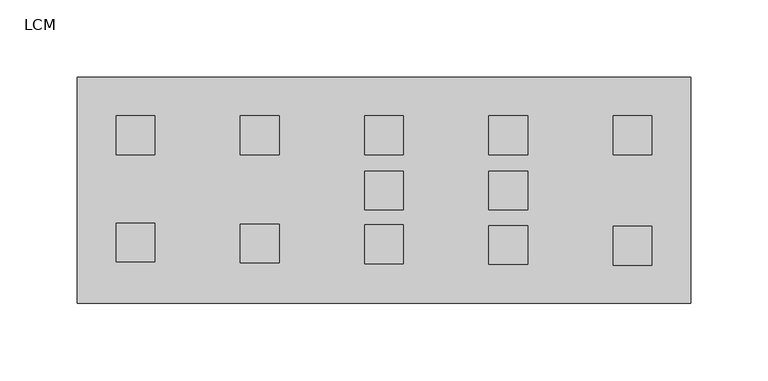
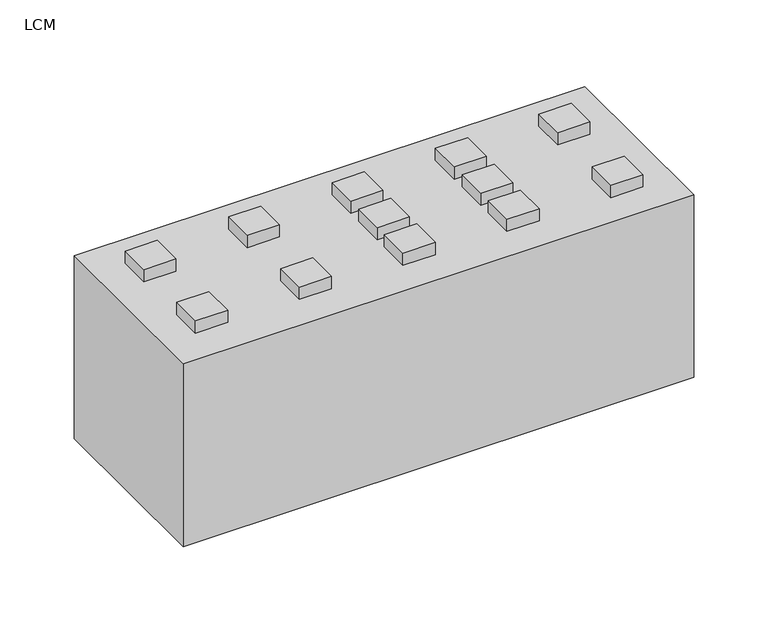
"""IFC4 building model written with IfcOpenShell, lengths in millimetres: proxy geometry, LCM."""

from ifc_helpers import new_model, si_unit, frame, origin, origin_with_axes, place, context, project, spatial, polyline, outline, extrude, source, transform, mapped, element, save


def lcm_86692d3a(model_context):
    return source(origin(), model_context, "Body", "SweptSolid", [
        extrude(outline(polyline([(290.75, 85.5), (290.75, 60.5), (265.75, 60.5), (265.75, 85.5), (290.75, 85.5)])), frame((0.0, 0.0, 150.0), z_axis=(0.0, 0.0, 1.0), x_axis=(1.0, 0.0, 0.0)), (0.0, 0.0, 1.0), 10.0),
        extrude(outline(polyline([(210.5, 85.5), (210.5, 60.5), (185.5, 60.5), (185.5, 85.5), (210.5, 85.5)])), frame((0.0, 0.0, 150.0), z_axis=(0.0, 0.0, 1.0), x_axis=(1.0, 0.0, 0.0)), (0.0, 0.0, 1.0), 10.0),
        extrude(outline(polyline([(371.0, 24.8219732), (346.0, 24.8219732), (346.0, 49.8219732), (371.0, 49.8219732), (371.0, 24.8219732)])), frame((0.0, 0.0, 150.0), z_axis=(0.0, 0.0, 1.0), x_axis=(1.0, 0.0, 0.0)), (0.0, 0.0, 1.0), 10.0),
        extrude(outline(polyline([(290.75, 25.3219732), (265.75, 25.3219732), (265.75, 50.3219732), (290.75, 50.3219732), (290.75, 25.3219732)])), frame((0.0, 0.0, 150.0), z_axis=(0.0, 0.0, 1.0), x_axis=(1.0, 0.0, 0.0)), (0.0, 0.0, 1.0), 10.0),
        extrude(outline(polyline([(210.5, 25.8219732), (185.5, 25.8219732), (185.5, 50.8219732), (210.5, 50.8219732), (210.5, 25.8219732)])), frame((0.0, 0.0, 150.0), z_axis=(0.0, 0.0, 1.0), x_axis=(1.0, 0.0, 0.0)), (0.0, 0.0, 1.0), 10.0),
        extrude(outline(polyline([(130.25, 26.3219732), (105.25, 26.3219732), (105.25, 51.3219732), (130.25, 51.3219732), (130.25, 26.3219732)])), frame((0.0, 0.0, 150.0), z_axis=(0.0, 0.0, 1.0), x_axis=(1.0, 0.0, 0.0)), (0.0, 0.0, 1.0), 10.0),
        extrude(outline(polyline([(50.0, 26.8219732), (25.0, 26.8219732), (25.0, 51.8219732), (50.0, 51.8219732), (50.0, 26.8219732)])), frame((0.0, 0.0, 150.0), z_axis=(0.0, 0.0, 1.0), x_axis=(1.0, 0.0, 0.0)), (0.0, 0.0, 1.0), 10.0),
        extrude(outline(polyline([(371.0, 121.1780268), (371.0, 96.1780268), (346.0, 96.1780268), (346.0, 121.1780268), (371.0, 121.1780268)])), frame((0.0, 0.0, 150.0), z_axis=(0.0, 0.0, 1.0), x_axis=(1.0, 0.0, 0.0)), (0.0, 0.0, 1.0), 10.0),
        extrude(outline(polyline([(290.75, 121.1780268), (290.75, 96.1780268), (265.75, 96.1780268), (265.75, 121.1780268), (290.75, 121.1780268)])), frame((0.0, 0.0, 150.0), z_axis=(0.0, 0.0, 1.0), x_axis=(1.0, 0.0, 0.0)), (0.0, 0.0, 1.0), 10.0),
        extrude(outline(polyline([(210.5, 121.1780268), (210.5, 96.1780268), (185.5, 96.1780268), (185.5, 121.1780268), (210.5, 121.1780268)])), frame((0.0, 0.0, 150.0), z_axis=(0.0, 0.0, 1.0), x_axis=(1.0, 0.0, 0.0)), (0.0, 0.0, 1.0), 10.0),
        extrude(outline(polyline([(130.25, 121.1780268), (130.25, 96.1780268), (105.25, 96.1780268), (105.25, 121.1780268), (130.25, 121.1780268)])), frame((0.0, 0.0, 150.0), z_axis=(0.0, 0.0, 1.0), x_axis=(1.0, 0.0, 0.0)), (0.0, 0.0, 1.0), 10.0),
        extrude(outline(polyline([(50.0, 121.1780268), (50.0, 96.1780268), (25.0, 96.1780268), (25.0, 121.1780268), (50.0, 121.1780268)])), frame((0.0, 0.0, 150.0), z_axis=(0.0, 0.0, 1.0), x_axis=(1.0, 0.0, 0.0)), (0.0, 0.0, 1.0), 10.0),
        extrude(outline(polyline([(396.0, 146.0), (396.0, 0.0), (0.0, 0.0), (0.0, 146.0), (396.0, 146.0)])), origin_with_axes(), (0.0, 0.0, 1.0), 150.0),
    ])


if __name__ == "__main__":
    model = new_model("IFC4")
    model_context = context("Model", 3, world=origin())
    ifc_project = project(units=[si_unit("LENGTHUNIT", "METRE", prefix="MILLI")], contexts=[model_context])
    site = spatial("IfcSite", under=ifc_project)
    building = spatial("IfcBuilding", under=site)
    placement = place(None, origin())
    lcm_shape = lcm_86692d3a(model_context)
    element("IfcBuildingElementProxy", 1, Name="LCM", ObjectType="LCM", at=placement, inside=building, context=model_context, shape_type="MappedRepresentation", body=[
        mapped(lcm_shape, transform((0.0, 0.0, 0.0), x_axis=(1.0, 0.0, 0.0), y_axis=(0.0, 1.0, 0.0), z_axis=(0.0, 0.0, 1.0))),
    ])
    save(model, "model.ifc")
